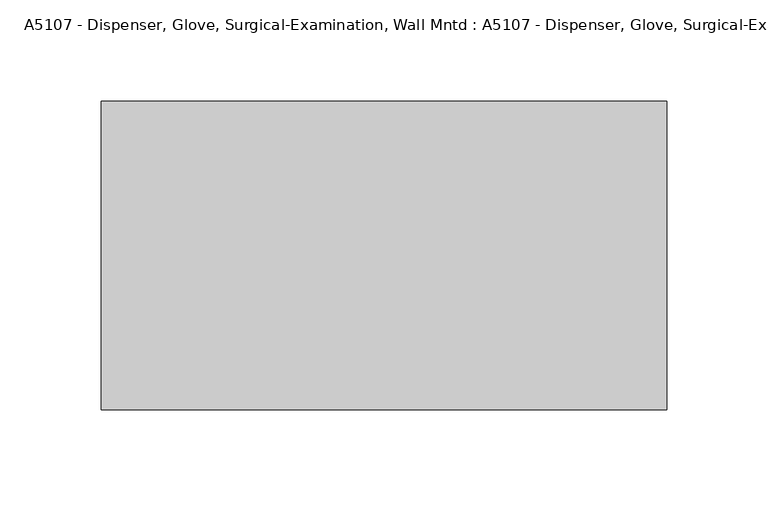
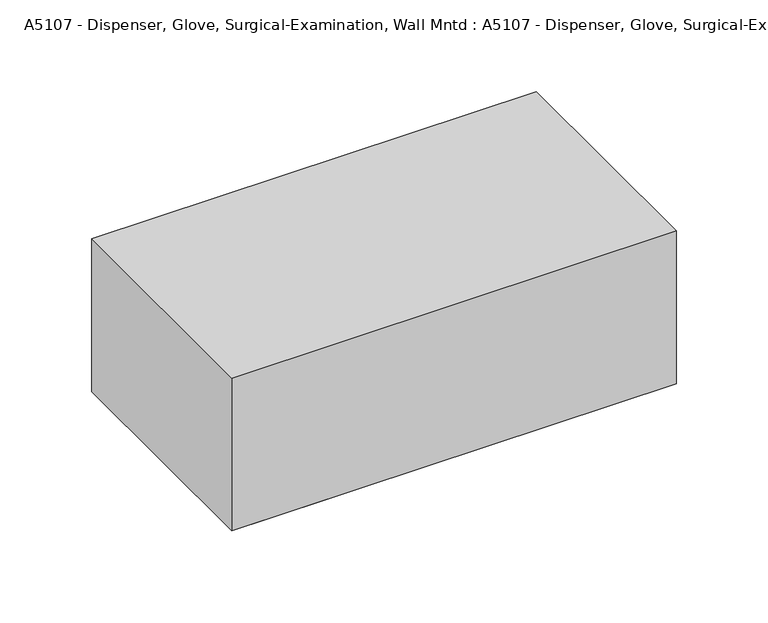
"""IFC4 building model written with IfcOpenShell, lengths in millimetres: proxy geometry, A5107 - Dispenser, Glove, Surgical-Examination, Wall Mntd : A5107 - Dispenser, Glove, Surgical-Examination, Wall Mntd."""

from ifc_helpers import new_model, si_unit, origin, origin_with_axes, place, context, project, spatial, polyline, outline, extrude, source, transform, mapped, element, save


def a5107_dispenser_glove_surgical_examination_wall_mntd_a5107_9fe0d71b(model_context):
    return source(origin(), model_context, "Body", "SweptSolid", [
        extrude(outline(polyline([(139.7, 76.2), (139.7, -76.2), (-139.7, -76.2), (-139.7, 76.2), (139.7, 76.2)])), origin_with_axes(), (0.0, 0.0, 1.0), 101.6),
        extrude(outline(polyline([(127.0, 76.2), (127.0, -76.2), (-127.0, -76.2), (-127.0, 76.2), (127.0, 76.2)])), origin_with_axes(), (0.0, 0.0, 1.0), 101.6),
    ])


if __name__ == "__main__":
    model = new_model("IFC4")
    model_context = context("Model", 3, world=origin())
    ifc_project = project(units=[si_unit("LENGTHUNIT", "METRE", prefix="MILLI")], contexts=[model_context])
    site = spatial("IfcSite", under=ifc_project)
    building = spatial("IfcBuilding", under=site)
    placement = place(None, origin())
    a5107_dispenser_glove_surgical_examination_wall_mntd_a5107_shape = a5107_dispenser_glove_surgical_examination_wall_mntd_a5107_9fe0d71b(model_context)
    element("IfcBuildingElementProxy", 1, Name="A5107 - Dispenser, Glove, Surgical-Examination, Wall Mntd : A5107 - Dispenser, Glove, Surgical-Examination, Wall Mntd", ObjectType="A5107 - Dispenser, Glove, Surgical-Examination, Wall Mntd : A5107 - Dispenser, Glove, Surgical-Examination, Wall Mntd", at=placement, inside=building, context=model_context, shape_type="MappedRepresentation", body=[
        mapped(a5107_dispenser_glove_surgical_examination_wall_mntd_a5107_shape, transform((0.0, 0.0, 0.0), x_axis=(1.0, 0.0, 0.0), y_axis=(0.0, 1.0, 0.0), z_axis=(0.0, 0.0, 1.0))),
    ])
    save(model, "model.ifc")
